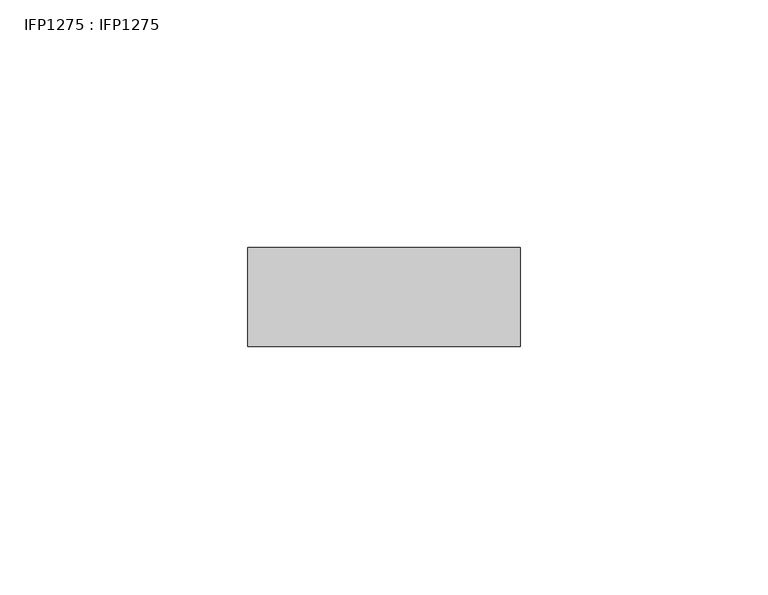
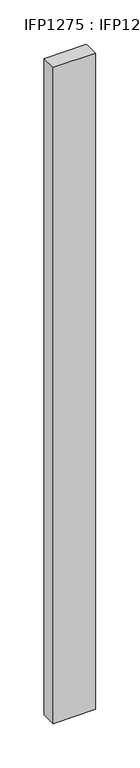
"""IFC4 building model written with IfcOpenShell, lengths in millimetres: proxy geometry, IFP1275 : IFP1275."""

import ifcopenshell
import ifcopenshell.guid

model = None  # the IFC model being written
_history = None  # IfcOwnerHistory: only IFC2X3 demands one
_inside = {}  # id of a spatial element -> (the spatial element, [elements in it])
_under = {}  # id of a project, library or spatial element -> (it, [spatial elements below it])
_declared = {}  # id of a project -> (the project, [libraries it declares])
_typed = {}  # id of a type object -> (the type object, [elements of that type])
_made_of = {}  # id of a material, layer set ... -> (it, [elements and type objects made of it])


def new_model(schema):
    """Start an empty IFC model of exactly this schema.

    Asked for "IFC4X3", IfcOpenShell would pick the latest addendum, in which some entities
    have other attributes; the version numbers below select the first issue.
    IFC2X3 requires an IfcOwnerHistory on every rooted entity: one is made here for all.
    """
    global model, _history
    if schema == "IFC4X3":
        model = ifcopenshell.file(schema_version=(4, 3, 0, 0))
    else:
        model = ifcopenshell.file(schema=schema)
    _inside.clear()
    _under.clear()
    _declared.clear()
    _typed.clear()
    _made_of.clear()
    _history = None
    if model.schema == "IFC2X3":
        org = make("IfcOrganization", Name="unknown")
        user = make(
            "IfcPersonAndOrganization",
            ThePerson=make("IfcPerson", FamilyName="unknown"),
            TheOrganization=org,
        )
        app = make(
            "IfcApplication",
            ApplicationDeveloper=org,
            Version="unknown",
            ApplicationFullName="unknown",
            ApplicationIdentifier="unknown",
        )
        _history = make(
            "IfcOwnerHistory",
            OwningUser=user,
            OwningApplication=app,
            ChangeAction="ADDED",
            CreationDate=0,
        )
    return model


def make(cls, **values):
    """One entity of the class cls with the attributes given. An attribute that is None is left unset."""
    return model.create_entity(
        cls, **{name: value for name, value in values.items() if value is not None}
    )


def rooted(cls, **values):
    """An entity with a GlobalId (a new one), such as an element, a storey or a relation."""
    return make(cls, GlobalId=ifcopenshell.guid.new(), OwnerHistory=_history, **values)


def si_unit(unit_type, name, prefix=None):
    """IfcSIUnit, for example si_unit("LENGTHUNIT", "METRE", prefix="MILLI")."""
    return make("IfcSIUnit", UnitType=unit_type, Prefix=prefix, Name=name)


def assignment(units):
    """IfcUnitAssignment: the units of a project."""
    return None if units is None else make("IfcUnitAssignment", Units=units)


def point(xyz):
    """IfcCartesianPoint."""
    return None if xyz is None else make("IfcCartesianPoint", Coordinates=xyz)


def direction(xyz):
    """IfcDirection."""
    return None if xyz is None else make("IfcDirection", DirectionRatios=xyz)


def frame(location, z_axis=None, x_axis=None):
    """IfcAxis2Placement3D, a coordinate frame: its origin and axes. An axis left out is left unset."""
    return make(
        "IfcAxis2Placement3D",
        Location=point(location),
        Axis=direction(z_axis),
        RefDirection=direction(x_axis),
    )


def origin():
    """The frame at (0, 0, 0) with its axes left unset."""
    return frame((0.0, 0.0, 0.0))


def origin_with_axes():
    """The frame at (0, 0, 0) with the z axis (0, 0, 1) and the x axis (1, 0, 0) written out."""
    return frame((0.0, 0.0, 0.0), z_axis=(0.0, 0.0, 1.0), x_axis=(1.0, 0.0, 0.0))


def place(relative_to, where):
    """IfcLocalPlacement: puts the frame where relative to a parent placement (None: the world)."""
    return make(
        "IfcLocalPlacement", PlacementRelTo=relative_to, RelativePlacement=where
    )


def context(
    kind, dimensions, precision=None, world=None, true_north=None, identifier=None
):
    """IfcGeometricRepresentationContext, for example the 3D "Model" context."""
    return make(
        "IfcGeometricRepresentationContext",
        ContextIdentifier=identifier,
        ContextType=kind,
        CoordinateSpaceDimension=dimensions,
        Precision=precision,
        WorldCoordinateSystem=world,
        TrueNorth=true_north,
    )


def project(units=None, contexts=None):
    """IfcProject with its units and contexts."""
    return rooted(
        "IfcProject",
        Name="project",
        RepresentationContexts=contexts,
        UnitsInContext=assignment(units),
    )


def spatial(cls, under=None, at=None, **own):
    """A site, building, storey or space (cls), placed at a placement, below another one or the project."""
    s = rooted(cls, ObjectPlacement=at, **own)
    if under is not None:
        _under.setdefault(under.id(), (under, []))[1].append(s)
    return s


def polyline(points):
    """IfcPolyline through the points."""
    return make("IfcPolyline", Points=[point(p) for p in points])


def outline(outer, holes=None, kind="AREA"):
    """IfcArbitraryClosedProfileDef: a profile drawn as a closed curve; with holes, ...WithVoids."""
    if holes is None:
        return make("IfcArbitraryClosedProfileDef", ProfileType=kind, OuterCurve=outer)
    return make(
        "IfcArbitraryProfileDefWithVoids",
        ProfileType=kind,
        OuterCurve=outer,
        InnerCurves=holes,
    )


def extrude(swept, where, along, depth):
    """IfcExtrudedAreaSolid: the profile swept, set in the frame where, extruded along a direction by depth."""
    return make(
        "IfcExtrudedAreaSolid",
        SweptArea=swept,
        Position=where,
        ExtrudedDirection=direction(along),
        Depth=depth,
    )


def shape(context_of_items, identifier, shape_type, items):
    """IfcShapeRepresentation: the items that make up one representation, for example the "Body"."""
    return make(
        "IfcShapeRepresentation",
        ContextOfItems=context_of_items,
        RepresentationIdentifier=identifier,
        RepresentationType=shape_type,
        Items=items,
    )


def source(mapping_origin, context_of_items, identifier, shape_type, items):
    """IfcRepresentationMap: a shape defined once, which mapped items show again and again."""
    return make(
        "IfcRepresentationMap",
        MappingOrigin=mapping_origin,
        MappedRepresentation=shape(context_of_items, identifier, shape_type, items),
    )


def transform(
    local_origin,
    x_axis=None,
    y_axis=None,
    z_axis=None,
    scale=None,
    scale2=None,
    scale3=None,
    uniform=True,
):
    """IfcCartesianTransformationOperator3D, or its non-uniform kind. x_axis, y_axis, z_axis: its Axis1, 2, 3."""
    if uniform:
        return make(
            "IfcCartesianTransformationOperator3D",
            Axis1=direction(x_axis),
            Axis2=direction(y_axis),
            LocalOrigin=point(local_origin),
            Scale=scale,
            Axis3=direction(z_axis),
        )
    return make(
        "IfcCartesianTransformationOperator3DnonUniform",
        Axis1=direction(x_axis),
        Axis2=direction(y_axis),
        LocalOrigin=point(local_origin),
        Scale=scale,
        Axis3=direction(z_axis),
        Scale2=scale2,
        Scale3=scale3,
    )


def mapped(mapping_source, mapping_target):
    """IfcMappedItem: shows the shape of a source again, moved by a transform."""
    return make(
        "IfcMappedItem", MappingSource=mapping_source, MappingTarget=mapping_target
    )


def made_of(thing, what):
    """Note that an element or type object is made of a material, layer set ...; save() writes the relation."""
    if what is not None:
        _made_of.setdefault(what.id(), (what, []))[1].append(thing)
    return thing


def element(
    cls,
    number,
    at=None,
    inside=None,
    cuts=None,
    type_object=None,
    material=None,
    context=None,
    identifier="Body",
    shape_type=None,
    held_by="IfcProductDefinitionShape",
    body=None,
    shapes=None,
    **own,
):
    """One element of the class cls, such as IfcWall. Its Tag is "e" and its number.

    at: its placement. inside: the storey or other place that contains it. cuts: it is an
    opening in that element (IfcRelVoidsElement). A single representation is given by context,
    identifier, shape_type and body (its items); several are given by shapes. held_by: the class
    of the entity that holds the representations. save() writes the other relations.
    """
    e = rooted(cls, Tag="e%d" % number, ObjectPlacement=at, **own)
    if body is not None:
        shapes = [shape(context, identifier, shape_type, body)]
    if shapes is not None:
        e.Representation = make(held_by, Representations=shapes)
    if inside is not None:
        _inside.setdefault(inside.id(), (inside, []))[1].append(e)
    if cuts is not None:
        rooted(
            "IfcRelVoidsElement", RelatingBuildingElement=cuts, RelatedOpeningElement=e
        )
    if type_object is not None:
        _typed.setdefault(type_object.id(), (type_object, []))[1].append(e)
    return made_of(e, material)


def aggregate(whole, parts):
    """IfcRelAggregates: a whole, such as a stair, and the parts it consists of."""
    return rooted("IfcRelAggregates", RelatingObject=whole, RelatedObjects=parts)


def save(model, path):
    """Write the relations noted so far, then the file.

    IfcRelAggregates (storeys below a building ...), IfcRelContainedInSpatialStructure (elements
    in a storey), IfcRelDefinesByType, IfcRelAssociatesMaterial and IfcRelDeclares: one each for
    every whole, place, type object, material and project.
    """
    for whole, parts in _under.values():
        aggregate(whole, parts)
    for where, things in _inside.values():
        rooted(
            "IfcRelContainedInSpatialStructure",
            RelatedElements=things,
            RelatingStructure=where,
        )
    for kind, things in _typed.values():
        rooted("IfcRelDefinesByType", RelatedObjects=things, RelatingType=kind)
    for what, things in _made_of.values():
        rooted("IfcRelAssociatesMaterial", RelatedObjects=things, RelatingMaterial=what)
    for by, libraries in _declared.values():
        rooted("IfcRelDeclares", RelatingContext=by, RelatedDefinitions=libraries)
    model.write(path)


def ifp1275_ifp1275_45c47d48(model_context):
    return source(origin(), model_context, "Body", "SweptSolid", [
        extrude(outline(polyline([(55.0, 0.0), (0.0, 0.0), (0.0, 20.0), (55.0, 20.0), (55.0, 0.0)])), origin_with_axes(), (0.0, 0.0, 1.0), 900.0),
    ])


if __name__ == "__main__":
    model = new_model("IFC4")
    model_context = context("Model", 3, world=origin())
    ifc_project = project(units=[si_unit("LENGTHUNIT", "METRE", prefix="MILLI")], contexts=[model_context])
    site = spatial("IfcSite", under=ifc_project)
    building = spatial("IfcBuilding", under=site)
    placement = place(None, origin())
    ifp1275_ifp1275_shape = ifp1275_ifp1275_45c47d48(model_context)
    element("IfcBuildingElementProxy", 1, Name="IFP1275 : IFP1275", ObjectType="IFP1275 : IFP1275", at=placement, inside=building, context=model_context, shape_type="MappedRepresentation", body=[
        mapped(ifp1275_ifp1275_shape, transform((0.0, 0.0, 0.0), x_axis=(1.0, 0.0, 0.0), y_axis=(0.0, 1.0, 0.0), z_axis=(0.0, 0.0, 1.0))),
    ])
    save(model, "model.ifc")
